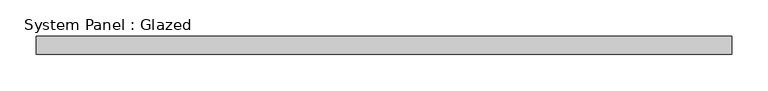
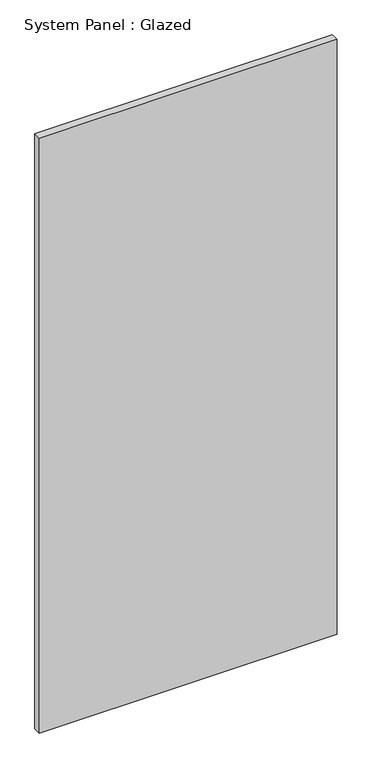
"""IFC4 building model written with IfcOpenShell, lengths in millimetres: plate geometry, System Panel : Glazed."""

from ifc_helpers import new_model, si_unit, origin, origin_with_axes, place, context, project, spatial, polyline, outline, extrude, source, transform, mapped, element, save


def system_panel_glazed_b33f84a9(model_context):
    return source(origin(), model_context, "Body", "SweptSolid", [
        extrude(outline(polyline([(479.6416276, 24.5), (-479.6416276, 24.5), (-479.6416276, 49.5), (479.6416276, 49.5), (479.6416276, 24.5)])), origin_with_axes(), (0.0, 0.0, 1.0), 2025.0),
    ])


if __name__ == "__main__":
    model = new_model("IFC4")
    model_context = context("Model", 3, world=origin())
    ifc_project = project(units=[si_unit("LENGTHUNIT", "METRE", prefix="MILLI")], contexts=[model_context])
    site = spatial("IfcSite", under=ifc_project)
    building = spatial("IfcBuilding", under=site)
    placement = place(None, origin())
    system_panel_glazed_shape = system_panel_glazed_b33f84a9(model_context)
    element("IfcPlate", 1, ObjectType="System Panel : Glazed", at=placement, inside=building, context=model_context, shape_type="MappedRepresentation", body=[
        mapped(system_panel_glazed_shape, transform((0.0, 0.0, 0.0), x_axis=(1.0, 0.0, 0.0), y_axis=(0.0, 1.0, 0.0), z_axis=(0.0, 0.0, 1.0))),
    ])
    save(model, "model.ifc")
